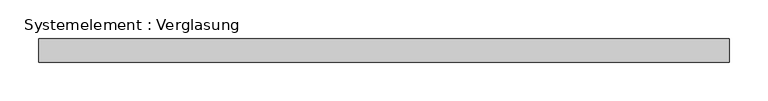
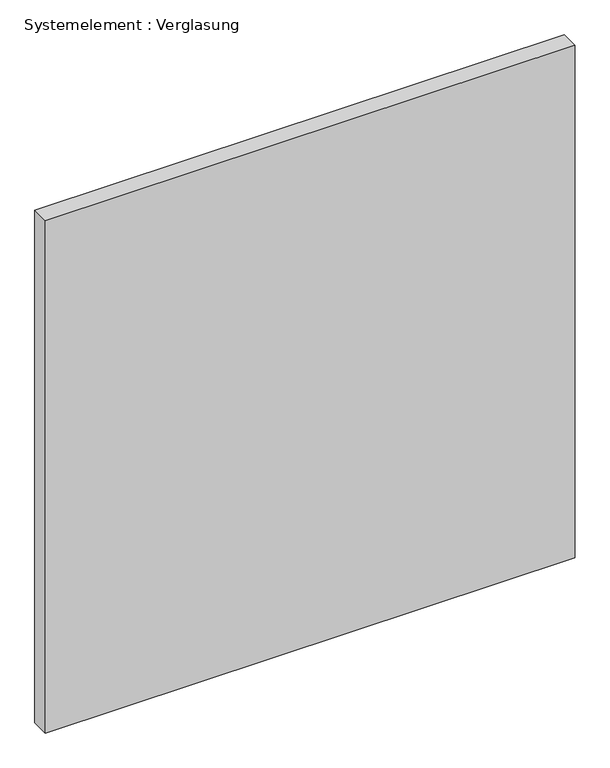
"""IFC4 building model written with IfcOpenShell, lengths in millimetres: plate geometry, Systemelement : Verglasung."""

from ifc_helpers import new_model, si_unit, origin, origin_with_axes, place, context, project, spatial, polyline, outline, extrude, source, transform, mapped, element, save


def systemelement_verglasung_6e0c6238(model_context):
    return source(origin(), model_context, "Body", "SweptSolid", [
        extrude(outline(polyline([(445.210188, -15.0), (-445.210188, -15.0), (-445.210188, 15.0), (445.210188, 15.0), (445.210188, -15.0)])), origin_with_axes(), (0.0, 0.0, 1.0), 910.0),
    ])


if __name__ == "__main__":
    model = new_model("IFC4")
    model_context = context("Model", 3, world=origin())
    ifc_project = project(units=[si_unit("LENGTHUNIT", "METRE", prefix="MILLI")], contexts=[model_context])
    site = spatial("IfcSite", under=ifc_project)
    building = spatial("IfcBuilding", under=site)
    placement = place(None, origin())
    systemelement_verglasung_shape = systemelement_verglasung_6e0c6238(model_context)
    element("IfcPlate", 1, ObjectType="Systemelement : Verglasung", at=placement, inside=building, context=model_context, shape_type="MappedRepresentation", body=[
        mapped(systemelement_verglasung_shape, transform((0.0, 0.0, 0.0), x_axis=(1.0, 0.0, 0.0), y_axis=(0.0, 1.0, 0.0), z_axis=(0.0, 0.0, 1.0))),
    ])
    save(model, "model.ifc")
